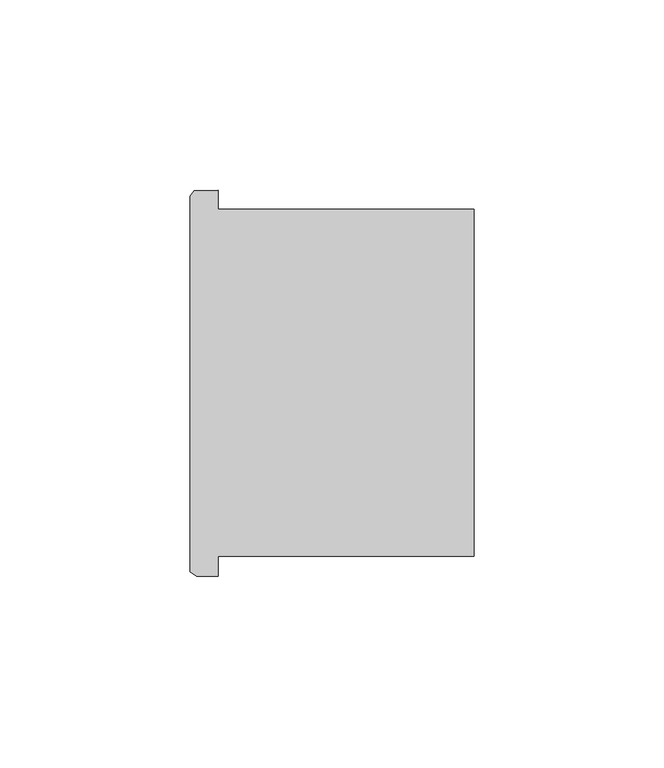
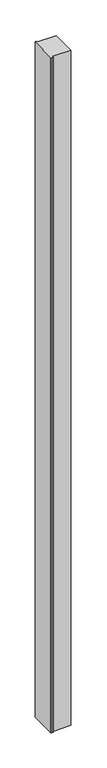
"""IFC4 building model written with IfcOpenShell, lengths in millimetres: column geometry."""

from ifc_helpers import new_model, si_unit, frame, origin, place, context, project, spatial, polyline, outline, extrude, source, transform, mapped, element, save


def column_258c9988(model_context):
    return source(origin(), model_context, "Body", "SweptSolid", [
        extrude(outline(polyline([(81666.9469274, -50763.2890752), (81666.9469274, -50768.3833246), (81734.242043, -50768.3833246), (81734.242043, -50859.5901526), (81666.9469274, -50859.5901526), (81666.9469274, -50864.8890752), (81661.254254, -50864.8890752), (81659.486922, -50863.6550416), (81659.486922, -50764.932379), (81660.5721116, -50763.4440914), (81666.9469274, -50763.2890752)])), frame((0.0, 0.0, 4419.602032), z_axis=(0.0, 0.0, 1.0), x_axis=(1.0, 0.0, 0.0)), (0.0, 0.0, 1.0), 2590.7999482),
        extrude(outline(polyline([(81666.9469274, -50763.2890752), (81666.9469274, -50768.3833246), (81734.242043, -50768.3833246), (81734.242043, -50859.5901526), (81666.9469274, -50859.5901526), (81666.9469274, -50864.8890752), (81661.254254, -50864.8890752), (81659.486922, -50863.6550416), (81659.486922, -50764.932379), (81660.5721116, -50763.4440914), (81666.9469274, -50763.2890752)])), frame((0.0, 0.0, 4419.602032), z_axis=(0.0, 0.0, 1.0), x_axis=(1.0, 0.0, 0.0)), (0.0, 0.0, 1.0), 2590.7999482),
    ])


if __name__ == "__main__":
    model = new_model("IFC4")
    model_context = context("Model", 3, world=origin())
    ifc_project = project(units=[si_unit("LENGTHUNIT", "METRE", prefix="MILLI")], contexts=[model_context])
    site = spatial("IfcSite", under=ifc_project)
    building = spatial("IfcBuilding", under=site)
    placement = place(None, origin())
    column_shape = column_258c9988(model_context)
    element("IfcColumn", 1, at=placement, inside=building, context=model_context, shape_type="MappedRepresentation", body=[
        mapped(column_shape, transform((0.0, 0.0, 0.0), x_axis=(1.0, 0.0, 0.0), y_axis=(0.0, 1.0, 0.0), z_axis=(0.0, 0.0, 1.0))),
    ])
    save(model, "model.ifc")
